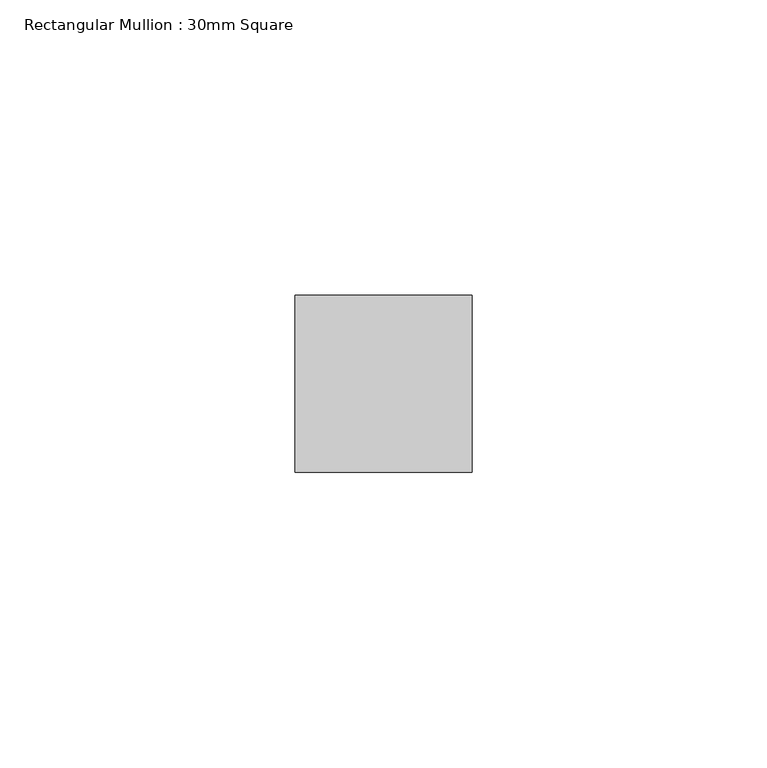
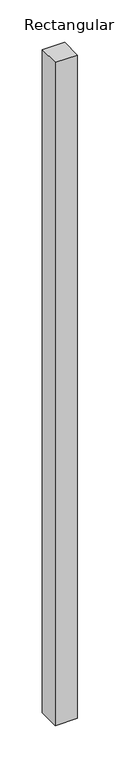
"""IFC4 building model written with IfcOpenShell, lengths in millimetres: member geometry, Rectangular Mullion : 30mm Square."""

import ifcopenshell
import ifcopenshell.guid

model = None  # the IFC model being written
_history = None  # IfcOwnerHistory: only IFC2X3 demands one
_inside = {}  # id of a spatial element -> (the spatial element, [elements in it])
_under = {}  # id of a project, library or spatial element -> (it, [spatial elements below it])
_declared = {}  # id of a project -> (the project, [libraries it declares])
_typed = {}  # id of a type object -> (the type object, [elements of that type])
_made_of = {}  # id of a material, layer set ... -> (it, [elements and type objects made of it])


def new_model(schema):
    """Start an empty IFC model of exactly this schema.

    Asked for "IFC4X3", IfcOpenShell would pick the latest addendum, in which some entities
    have other attributes; the version numbers below select the first issue.
    IFC2X3 requires an IfcOwnerHistory on every rooted entity: one is made here for all.
    """
    global model, _history
    if schema == "IFC4X3":
        model = ifcopenshell.file(schema_version=(4, 3, 0, 0))
    else:
        model = ifcopenshell.file(schema=schema)
    _inside.clear()
    _under.clear()
    _declared.clear()
    _typed.clear()
    _made_of.clear()
    _history = None
    if model.schema == "IFC2X3":
        org = make("IfcOrganization", Name="unknown")
        user = make(
            "IfcPersonAndOrganization",
            ThePerson=make("IfcPerson", FamilyName="unknown"),
            TheOrganization=org,
        )
        app = make(
            "IfcApplication",
            ApplicationDeveloper=org,
            Version="unknown",
            ApplicationFullName="unknown",
            ApplicationIdentifier="unknown",
        )
        _history = make(
            "IfcOwnerHistory",
            OwningUser=user,
            OwningApplication=app,
            ChangeAction="ADDED",
            CreationDate=0,
        )
    return model


def make(cls, **values):
    """One entity of the class cls with the attributes given. An attribute that is None is left unset."""
    return model.create_entity(
        cls, **{name: value for name, value in values.items() if value is not None}
    )


def rooted(cls, **values):
    """An entity with a GlobalId (a new one), such as an element, a storey or a relation."""
    return make(cls, GlobalId=ifcopenshell.guid.new(), OwnerHistory=_history, **values)


def si_unit(unit_type, name, prefix=None):
    """IfcSIUnit, for example si_unit("LENGTHUNIT", "METRE", prefix="MILLI")."""
    return make("IfcSIUnit", UnitType=unit_type, Prefix=prefix, Name=name)


def assignment(units):
    """IfcUnitAssignment: the units of a project."""
    return None if units is None else make("IfcUnitAssignment", Units=units)


def point(xyz):
    """IfcCartesianPoint."""
    return None if xyz is None else make("IfcCartesianPoint", Coordinates=xyz)


def direction(xyz):
    """IfcDirection."""
    return None if xyz is None else make("IfcDirection", DirectionRatios=xyz)


def frame(location, z_axis=None, x_axis=None):
    """IfcAxis2Placement3D, a coordinate frame: its origin and axes. An axis left out is left unset."""
    return make(
        "IfcAxis2Placement3D",
        Location=point(location),
        Axis=direction(z_axis),
        RefDirection=direction(x_axis),
    )


def origin():
    """The frame at (0, 0, 0) with its axes left unset."""
    return frame((0.0, 0.0, 0.0))


def place(relative_to, where):
    """IfcLocalPlacement: puts the frame where relative to a parent placement (None: the world)."""
    return make(
        "IfcLocalPlacement", PlacementRelTo=relative_to, RelativePlacement=where
    )


def context(
    kind, dimensions, precision=None, world=None, true_north=None, identifier=None
):
    """IfcGeometricRepresentationContext, for example the 3D "Model" context."""
    return make(
        "IfcGeometricRepresentationContext",
        ContextIdentifier=identifier,
        ContextType=kind,
        CoordinateSpaceDimension=dimensions,
        Precision=precision,
        WorldCoordinateSystem=world,
        TrueNorth=true_north,
    )


def project(units=None, contexts=None):
    """IfcProject with its units and contexts."""
    return rooted(
        "IfcProject",
        Name="project",
        RepresentationContexts=contexts,
        UnitsInContext=assignment(units),
    )


def spatial(cls, under=None, at=None, **own):
    """A site, building, storey or space (cls), placed at a placement, below another one or the project."""
    s = rooted(cls, ObjectPlacement=at, **own)
    if under is not None:
        _under.setdefault(under.id(), (under, []))[1].append(s)
    return s


def polyline(points):
    """IfcPolyline through the points."""
    return make("IfcPolyline", Points=[point(p) for p in points])


def outline(outer, holes=None, kind="AREA"):
    """IfcArbitraryClosedProfileDef: a profile drawn as a closed curve; with holes, ...WithVoids."""
    if holes is None:
        return make("IfcArbitraryClosedProfileDef", ProfileType=kind, OuterCurve=outer)
    return make(
        "IfcArbitraryProfileDefWithVoids",
        ProfileType=kind,
        OuterCurve=outer,
        InnerCurves=holes,
    )


def extrude(swept, where, along, depth):
    """IfcExtrudedAreaSolid: the profile swept, set in the frame where, extruded along a direction by depth."""
    return make(
        "IfcExtrudedAreaSolid",
        SweptArea=swept,
        Position=where,
        ExtrudedDirection=direction(along),
        Depth=depth,
    )


def shape(context_of_items, identifier, shape_type, items):
    """IfcShapeRepresentation: the items that make up one representation, for example the "Body"."""
    return make(
        "IfcShapeRepresentation",
        ContextOfItems=context_of_items,
        RepresentationIdentifier=identifier,
        RepresentationType=shape_type,
        Items=items,
    )


def source(mapping_origin, context_of_items, identifier, shape_type, items):
    """IfcRepresentationMap: a shape defined once, which mapped items show again and again."""
    return make(
        "IfcRepresentationMap",
        MappingOrigin=mapping_origin,
        MappedRepresentation=shape(context_of_items, identifier, shape_type, items),
    )


def transform(
    local_origin,
    x_axis=None,
    y_axis=None,
    z_axis=None,
    scale=None,
    scale2=None,
    scale3=None,
    uniform=True,
):
    """IfcCartesianTransformationOperator3D, or its non-uniform kind. x_axis, y_axis, z_axis: its Axis1, 2, 3."""
    if uniform:
        return make(
            "IfcCartesianTransformationOperator3D",
            Axis1=direction(x_axis),
            Axis2=direction(y_axis),
            LocalOrigin=point(local_origin),
            Scale=scale,
            Axis3=direction(z_axis),
        )
    return make(
        "IfcCartesianTransformationOperator3DnonUniform",
        Axis1=direction(x_axis),
        Axis2=direction(y_axis),
        LocalOrigin=point(local_origin),
        Scale=scale,
        Axis3=direction(z_axis),
        Scale2=scale2,
        Scale3=scale3,
    )


def mapped(mapping_source, mapping_target):
    """IfcMappedItem: shows the shape of a source again, moved by a transform."""
    return make(
        "IfcMappedItem", MappingSource=mapping_source, MappingTarget=mapping_target
    )


def made_of(thing, what):
    """Note that an element or type object is made of a material, layer set ...; save() writes the relation."""
    if what is not None:
        _made_of.setdefault(what.id(), (what, []))[1].append(thing)
    return thing


def element(
    cls,
    number,
    at=None,
    inside=None,
    cuts=None,
    type_object=None,
    material=None,
    context=None,
    identifier="Body",
    shape_type=None,
    held_by="IfcProductDefinitionShape",
    body=None,
    shapes=None,
    **own,
):
    """One element of the class cls, such as IfcWall. Its Tag is "e" and its number.

    at: its placement. inside: the storey or other place that contains it. cuts: it is an
    opening in that element (IfcRelVoidsElement). A single representation is given by context,
    identifier, shape_type and body (its items); several are given by shapes. held_by: the class
    of the entity that holds the representations. save() writes the other relations.
    """
    e = rooted(cls, Tag="e%d" % number, ObjectPlacement=at, **own)
    if body is not None:
        shapes = [shape(context, identifier, shape_type, body)]
    if shapes is not None:
        e.Representation = make(held_by, Representations=shapes)
    if inside is not None:
        _inside.setdefault(inside.id(), (inside, []))[1].append(e)
    if cuts is not None:
        rooted(
            "IfcRelVoidsElement", RelatingBuildingElement=cuts, RelatedOpeningElement=e
        )
    if type_object is not None:
        _typed.setdefault(type_object.id(), (type_object, []))[1].append(e)
    return made_of(e, material)


def aggregate(whole, parts):
    """IfcRelAggregates: a whole, such as a stair, and the parts it consists of."""
    return rooted("IfcRelAggregates", RelatingObject=whole, RelatedObjects=parts)


def save(model, path):
    """Write the relations noted so far, then the file.

    IfcRelAggregates (storeys below a building ...), IfcRelContainedInSpatialStructure (elements
    in a storey), IfcRelDefinesByType, IfcRelAssociatesMaterial and IfcRelDeclares: one each for
    every whole, place, type object, material and project.
    """
    for whole, parts in _under.values():
        aggregate(whole, parts)
    for where, things in _inside.values():
        rooted(
            "IfcRelContainedInSpatialStructure",
            RelatedElements=things,
            RelatingStructure=where,
        )
    for kind, things in _typed.values():
        rooted("IfcRelDefinesByType", RelatedObjects=things, RelatingType=kind)
    for what, things in _made_of.values():
        rooted("IfcRelAssociatesMaterial", RelatedObjects=things, RelatingMaterial=what)
    for by, libraries in _declared.values():
        rooted("IfcRelDeclares", RelatingContext=by, RelatedDefinitions=libraries)
    model.write(path)


def rectangular_mullion_30mm_square_7abb9771(model_context):
    return source(origin(), model_context, "Body", "SweptSolid", [
        extrude(outline(polyline([(15.0, 15.0), (15.0, -15.0), (-15.0, -15.0), (-15.0, 15.0), (15.0, 15.0)])), frame((0.0, 0.0, -953.235469), z_axis=(0.0, 0.0, 1.0), x_axis=(1.0, 0.0, 0.0)), (0.0, 0.0, 1.0), 953.235469),
    ])


if __name__ == "__main__":
    model = new_model("IFC4")
    model_context = context("Model", 3, world=origin())
    ifc_project = project(units=[si_unit("LENGTHUNIT", "METRE", prefix="MILLI")], contexts=[model_context])
    site = spatial("IfcSite", under=ifc_project)
    building = spatial("IfcBuilding", under=site)
    placement = place(None, origin())
    rectangular_mullion_30mm_square_shape = rectangular_mullion_30mm_square_7abb9771(model_context)
    element("IfcMember", 1, ObjectType="Rectangular Mullion : 30mm Square", at=placement, inside=building, context=model_context, shape_type="MappedRepresentation", body=[
        mapped(rectangular_mullion_30mm_square_shape, transform((0.0, 0.0, 0.0), x_axis=(1.0, 0.0, 0.0), y_axis=(0.0, 1.0, 0.0), z_axis=(0.0, 0.0, 1.0))),
    ])
    save(model, "model.ifc")
